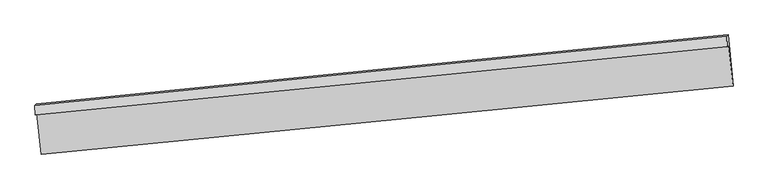
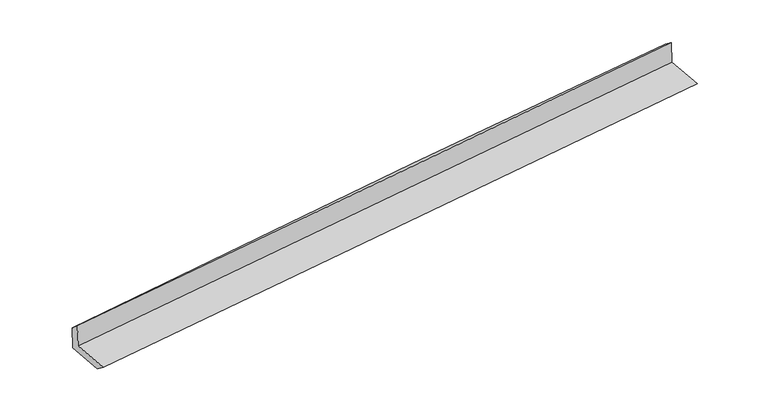
"""IFC4 building model written with IfcOpenShell, lengths in millimetres: proxy geometry."""

from ifc_helpers import new_model, si_unit, frame, origin, place, context, project, spatial, source, transform, mapped, element, save
from ifc_brep_helpers import plane_surface, spline_curve, spline_surface, advanced_brep


def generic_models_81ea9bc3(model_context):
    return source(origin(), model_context, "Body", "AdvancedBrep", [
        advanced_brep(
        [(-5925.7082055, -2089.8830557, 1504.1866012), (-5856.4514851, -2751.5421506, 1472.2065682), (5419.2243241, -1638.0208474, 2227.789563), (5349.9676037, -976.3617525, 2259.769596), (-5951.3160079, -2111.8294582, 1902.7954574), (5324.9999435, -997.7595402, 2648.4140536), (-5958.131293, -1956.8625128, 1775.5777112), (5316.1050082, -822.924206, 2522.1566081), (-5932.7776233, -1935.1339071, 1380.9246616), (5339.5382514, -802.8414446, 2157.3967544), (-5865.0244603, -2582.4284394, 1349.6389124), (5409.3710645, -1470.0043657, 2125.1507044)],
        [
            (0, 1),
            (1, 2, spline_curve(3, [(-5856.4514851, -2751.5421506, 1472.2065682), (-3706.664476262, -2541.544195103, 1617.823829381), (-1556.956653342, -2330.237053243, 1762.543542378), (2201.567121753, -1958.48748064, 2014.009782892), (3810.417902366, -1798.620855057, 2121.151067399), (5419.2243241, -1638.0208474, 2227.789563)], [4, 2, 4], [0.0, 21.308104358379435, 37.256210447374585])),
            (2, 3),
            (3, 0, spline_curve(3, [(5349.9676037, -976.3617525, 2259.769596), (3741.161181966, -1136.961760157, 2153.131100399), (2132.310401253, -1296.82838574, 2045.989815992), (-1626.213373842, -1668.577958343, 1794.523575478), (-3775.921196662, -1879.885100203, 1649.803862381), (-5925.7082055, -2089.8830557, 1504.1866012)], [4, 2, 4], [0.0, 15.94810608899515, 37.256210447374585])),
            (4, 0),
            (3, 5),
            (5, 4, spline_curve(3, [(5324.9999435, -997.7595402, 2648.4140536), (3716.075343129, -1158.460829466, 2543.61511703), (2107.117872336, -1318.418890621, 2438.134565035), (-1651.628303856, -1690.359065315, 2190.130194348), (-3801.442816782, -1901.757643287, 2047.071213574), (-5951.3160079, -2111.8294582, 1902.7954574)], [4, 2, 4], [0.0, 15.948126028251522, 37.25625702727112])),
            (6, 4),
            (5, 7),
            (7, 6, spline_curve(3, [(5316.1050082, -822.924206, 2522.1566081), (3706.212138022, -982.143122529, 2429.075079678), (2096.827905509, -1142.466927267, 2330.237460737), (-1661.650211072, -1519.578874927, 2085.897144586), (-3810.344745898, -1737.23450557, 1935.875131842), (-5958.131293, -1956.8625128, 1775.5777112)], [4, 2, 4], [0.0, 15.948157737043875, 37.256331101862436])),
            (8, 6),
            (7, 9),
            (9, 8, spline_curve(3, [(5339.5382514, -802.8414446, 2157.3967544), (3730.373003397, -961.43677445, 2052.989123508), (2121.522222791, -1121.303399994, 1945.847838389), (-1636.16330211, -1497.736080144, 1689.170098899), (-3784.751146395, -1715.300274992, 1537.487352507), (-5932.7776233, -1935.1339071, 1380.9246616)], [4, 2, 4], [0.0, 15.948116639354886, 37.25623509396399])),
            (10, 8),
            (9, 11),
            (11, 10, spline_curve(3, [(5409.3710645, -1470.0043657, 2125.1507044), (3800.427914253, -1630.721552721, 2020.640517606), (2191.577133208, -1790.588178181, 1913.4992325), (-1566.627231005, -2162.064009536, 1657.061072792), (-3715.90829193, -2373.005408485, 1505.698426305), (-5865.0244603, -2582.4284394, 1349.6389124)], [4, 2, 4], [0.0, 15.94805741180345, 37.25609673307598])),
            (1, 10),
            (11, 2),
        ],
        [
            spline_surface(3, 3, [[(-5925.7082055, -2089.8830557, 1504.1866012), (-3775.921196346, -1879.885100316, 1649.803862118), (-1626.213373949, -1668.577958291, 1794.523575703), (2132.310401334, -1296.828385779, 2045.989815824), (3741.161181985, -1136.961760066, 2153.131100515), (5349.9676037, -976.3617525, 2259.769596)], [(-5902.622632017, -2310.43608734, 1493.52659019), (-3752.835622862, -2100.438131956, 1639.143851107), (-1603.127800466, -1889.130989931, 1783.863564693), (2155.395974817, -1517.381417419, 2035.329804813), (3764.246755468, -1357.514791706, 2142.471089504), (5373.053177183, -1196.91478414, 2249.10958499)], [(-5879.537058583, -2530.98911896, 1482.86657921), (-3729.750049429, -2320.991163576, 1628.483840128), (-1580.042226933, -2109.684021551, 1773.203553614), (2178.48154835, -1737.934449039, 2024.669793734), (3787.332328902, -1578.067823326, 2131.811078525), (5396.138750617, -1417.46781576, 2238.44957401)], [(-5856.4514851, -2751.5421506, 1472.2065682), (-3706.664475946, -2541.544195216, 1617.823829118), (-1556.956653449, -2330.237053191, 1762.543542603), (2201.567121834, -1958.487480679, 2014.009782724), (3810.417902385, -1798.620854966, 2121.151067515), (5419.2243241, -1638.0208474, 2227.789563)]], [4, 4], [4, 2, 4], [0.0, 2.185177234232632], [0.0, 21.308104358379435, 37.256210447374585]),
            spline_surface(3, 3, [[(-5951.3160079, -2111.8294582, 1902.7954574), (-3801.442816548, -1901.757642936, 2047.071213609), (-1651.628303685, -1690.359065098, 2190.130194), (2107.117872208, -1318.418890784, 2438.134565295), (3716.075343126, -1158.460829257, 2543.615116992), (5324.9999435, -997.7595402, 2648.4140536)], [(-5942.780073783, -2104.51399071, 1769.925838679), (-3792.93560983, -1894.466795406, 1914.648763124), (-1643.156660423, -1683.098696166, 2058.261321216), (2115.515381933, -1311.222055786, 2307.419648786), (3724.437289395, -1151.294472857, 2413.453778184), (5333.322496883, -990.626944297, 2518.865901085)], [(-5934.244139617, -2097.19852319, 1637.056219921), (-3784.428403063, -1887.175947846, 1782.226312602), (-1634.685017211, -1675.838327223, 1926.392448487), (2123.912891609, -1304.025220777, 2176.704732332), (3732.799235716, -1144.128116466, 2283.292439322), (5341.645050317, -983.494348403, 2389.317748515)], [(-5925.7082055, -2089.8830557, 1504.1866012), (-3775.921196346, -1879.885100316, 1649.803862118), (-1626.213373949, -1668.577958291, 1794.523575703), (2132.310401334, -1296.828385779, 2045.989815824), (3741.161181985, -1136.961760066, 2153.131100515), (5349.9676037, -976.3617525, 2259.769596)]], [4, 4], [4, 2, 4], [0.0, 1.2984500516742614], [0.0, 21.308130999019596, 37.25625702727112]),
            spline_surface(3, 3, [[(-5958.131293, -1956.8625128, 1775.5777112), (-3810.344745969, -1737.234505875, 1935.875131658), (-1661.650211319, -1519.57887499, 2085.897144719), (2096.827905694, -1142.466927219, 2330.237460638), (3706.212138078, -982.143122541, 2429.075079858), (5316.1050082, -822.924206, 2522.1566081)], [(-5955.859531295, -2008.518161242, 1817.983626605), (-3807.377436157, -1792.075551537, 1972.940492314), (-1658.309575442, -1576.505605028, 2120.641494485), (2100.25789453, -1201.117581742, 2366.203162197), (3709.499873092, -1040.915691456, 2467.255092221), (5319.069986631, -881.202650742, 2564.242423251)], [(-5953.587769605, -2060.173809758, 1860.389541995), (-3804.410126359, -1846.916597274, 2010.005852953), (-1654.968939561, -1633.432335061, 2155.385844233), (2103.687883371, -1259.768236261, 2402.168863737), (3712.787608112, -1099.688260343, 2505.435104629), (5322.034965069, -939.481095458, 2606.328238449)], [(-5951.3160079, -2111.8294582, 1902.7954574), (-3801.442816548, -1901.757642936, 2047.071213609), (-1651.628303685, -1690.359065098, 2190.130194), (2107.117872208, -1318.418890784, 2438.134565295), (3716.075343126, -1158.460829257, 2543.615116992), (5324.9999435, -997.7595402, 2648.4140536)]], [4, 4], [4, 2, 4], [0.0, 0.6649263644678947], [0.0, 21.30817336481856, 37.256331101862436]),
            spline_surface(3, 3, [[(-5932.7776233, -1935.1339071, 1380.9246616), (-3784.751146275, -1715.300275337, 1537.487352344), (-1636.163301991, -1497.736080166, 1689.170098598), (2121.522222702, -1121.303399978, 1945.847838615), (3730.373003353, -961.436774365, 2052.989123305), (5339.5382514, -802.8414446, 2157.3967544)], [(-5941.228846542, -1942.376775664, 1512.475678113), (-3793.282346182, -1722.611685514, 1670.283278761), (-1644.658938443, -1505.017011745, 1821.412447315), (2113.29078369, -1128.357909029, 2073.977712632), (3722.31938162, -968.338890427, 2178.351108818), (5331.727170358, -809.535698403, 2278.983372295)], [(-5949.680069758, -1949.619644236, 1644.026694687), (-3801.813546062, -1729.923095698, 1803.079205241), (-1653.154574867, -1512.297943411, 1953.654796002), (2105.059344705, -1135.412418168, 2202.10758662), (3714.265759811, -975.241006479, 2303.713094345), (5323.916089242, -816.229952197, 2400.569990205)], [(-5958.131293, -1956.8625128, 1775.5777112), (-3810.344745969, -1737.234505875, 1935.875131658), (-1661.650211319, -1519.57887499, 2085.897144719), (2096.827905694, -1142.466927219, 2330.237460638), (3706.212138078, -982.143122541, 2429.075079858), (5316.1050082, -822.924206, 2522.1566081)]], [4, 4], [4, 2, 4], [0.0, 1.2909386002888372], [0.0, 21.3081184546091, 37.25623509396399]),
            spline_surface(3, 3, [[(-5865.0244603, -2582.4284394, 1349.6389124), (-3715.90829213, -2373.005408254, 1505.698426577), (-1566.6272312, -2162.06400938, 1657.06107254), (2191.577133354, -1790.588178298, 1913.499232689), (3800.427914005, -1630.721552584, 2020.64051738), (5409.3710645, -1470.0043657, 2125.1507044)], [(-5887.608847946, -2366.663595321, 1360.067495478), (-3738.855910158, -2153.770363969, 1516.294735177), (-1589.80592147, -1940.621366329, 1667.764081225), (2168.225496463, -1567.493252211, 1924.28210133), (3777.076277115, -1407.626626498, 2031.423386021), (5386.093460127, -1247.61672532, 2135.899387732)], [(-5910.193235654, -2150.898751179, 1370.496078522), (-3761.803528247, -1934.535319622, 1526.891043744), (-1612.984611721, -1719.178723217, 1678.467089913), (2144.873859592, -1344.398326065, 1935.064969974), (3753.724640243, -1184.531700451, 2042.206254665), (5362.815855773, -1025.22908498, 2146.648071068)], [(-5932.7776233, -1935.1339071, 1380.9246616), (-3784.751146275, -1715.300275337, 1537.487352344), (-1636.163301991, -1497.736080166, 1689.170098598), (2121.522222702, -1121.303399978, 1945.847838615), (3730.373003353, -961.436774365, 2052.989123305), (5339.5382514, -802.8414446, 2157.3967544)]], [4, 4], [4, 2, 4], [0.0, 2.1992275864686968], [0.0, 21.308039321272528, 37.25609673307598]),
            spline_surface(3, 3, [[(-5856.4514851, -2751.5421506, 1472.2065682), (-3706.664475946, -2541.544195216, 1617.823829118), (-1556.956653449, -2330.237053191, 1762.543542603), (2201.567121834, -1958.487480679, 2014.009782724), (3810.417902385, -1798.620854966, 2121.151067515), (5419.2243241, -1638.0208474, 2227.789563)], [(-5859.309143516, -2695.170913524, 1431.350682935), (-3709.745748023, -2485.364599552, 1580.44869494), (-1560.180179349, -2274.179371919, 1727.382719229), (2198.237125691, -1902.52104655, 1980.506266026), (3807.087906242, -1742.654420836, 2087.647550817), (5415.939904217, -1582.015353498, 2193.576610147)], [(-5862.166801884, -2638.799676476, 1390.494797665), (-3712.827020053, -2429.185003918, 1543.073560755), (-1563.4037053, -2218.121690653, 1692.221895914), (2194.907129497, -1846.554612427, 1947.002749387), (3803.757910148, -1686.687986714, 2054.144034078), (5412.655484383, -1526.009859602, 2159.363657253)], [(-5865.0244603, -2582.4284394, 1349.6389124), (-3715.90829213, -2373.005408254, 1505.698426577), (-1566.6272312, -2162.06400938, 1657.06107254), (2191.577133354, -1790.588178298, 1913.499232689), (3800.427914005, -1630.721552584, 2020.64051738), (5409.3710645, -1470.0043657, 2125.1507044)]], [4, 4], [4, 2, 4], [0.0, 0.6490908398521473], [0.0, 21.308078039497968, 37.25616443005788]),
            plane_surface(frame((5359.8676992, -1117.9853594, 2323.4462133), z_axis=(0.9925169104105678, 0.10053867168676257, 0.06929760489744667), x_axis=(-0.06401422005098913, -0.054861476118667075, 0.9964398617424659))),
            plane_surface(frame((-5914.9015125, -2237.9465873, 1564.221652), z_axis=(-0.9925169104105817, -0.10053867168665868, -0.06929760489739807), x_axis=(-0.10398250901138473, 0.9934194451154879, 0.048015038124878846))),
        ],
        [
            (0, [[1, 2, 3, 4]]),
            (1, [[5, -4, 6, 7]]),
            (2, [[8, -7, 9, 10]]),
            (3, [[11, -10, 12, 13]]),
            (4, [[14, -13, 15, 16]]),
            (5, [[17, -16, 18, -2]]),
            (6, [[-12, -9, -6, -3, -18, -15]]),
            (7, [[-1, -5, -8, -11, -14, -17]]),
        ],
    ),
    ])


if __name__ == "__main__":
    model = new_model("IFC4")
    model_context = context("Model", 3, world=origin())
    ifc_project = project(units=[si_unit("LENGTHUNIT", "METRE", prefix="MILLI")], contexts=[model_context])
    site = spatial("IfcSite", under=ifc_project)
    building = spatial("IfcBuilding", under=site)
    placement = place(None, origin())
    generic_models_shape = generic_models_81ea9bc3(model_context)
    element("IfcBuildingElementProxy", 1, Name="Generic Models", at=placement, inside=building, context=model_context, shape_type="MappedRepresentation", body=[
        mapped(generic_models_shape, transform((0.0, 0.0, 0.0), x_axis=(1.0, 0.0, 0.0), y_axis=(0.0, 1.0, 0.0), z_axis=(0.0, 0.0, 1.0))),
    ])
    save(model, "model.ifc")
